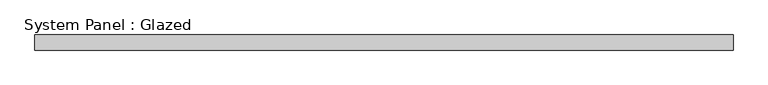
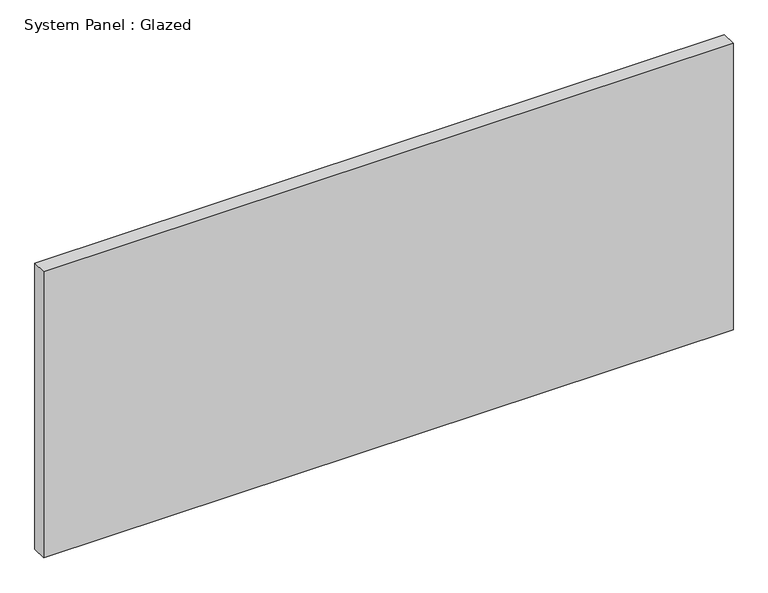
"""IFC4 building model written with IfcOpenShell, lengths in millimetres: plate geometry, System Panel : Glazed."""

from ifc_helpers import new_model, si_unit, origin, origin_with_axes, place, context, project, spatial, polyline, outline, extrude, source, transform, mapped, element, save


def system_panel_glazed_7fd1fa39(model_context):
    return source(origin(), model_context, "Body", "SweptSolid", [
        extrude(outline(polyline([(586.184375, -44.45), (-586.184375, -44.45), (-586.184375, -19.05), (586.184375, -19.05), (586.184375, -44.45)])), origin_with_axes(), (0.0, 0.0, 1.0), 514.35),
    ])


if __name__ == "__main__":
    model = new_model("IFC4")
    model_context = context("Model", 3, world=origin())
    ifc_project = project(units=[si_unit("LENGTHUNIT", "METRE", prefix="MILLI")], contexts=[model_context])
    site = spatial("IfcSite", under=ifc_project)
    building = spatial("IfcBuilding", under=site)
    placement = place(None, origin())
    system_panel_glazed_shape = system_panel_glazed_7fd1fa39(model_context)
    element("IfcPlate", 1, ObjectType="System Panel : Glazed", at=placement, inside=building, context=model_context, shape_type="MappedRepresentation", body=[
        mapped(system_panel_glazed_shape, transform((0.0, 0.0, 0.0), x_axis=(1.0, 0.0, 0.0), y_axis=(0.0, 1.0, 0.0), z_axis=(0.0, 0.0, 1.0))),
    ])
    save(model, "model.ifc")
